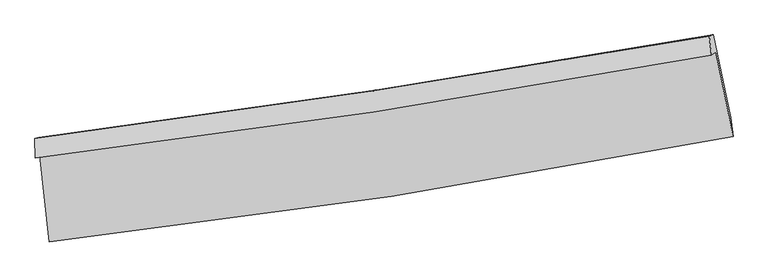
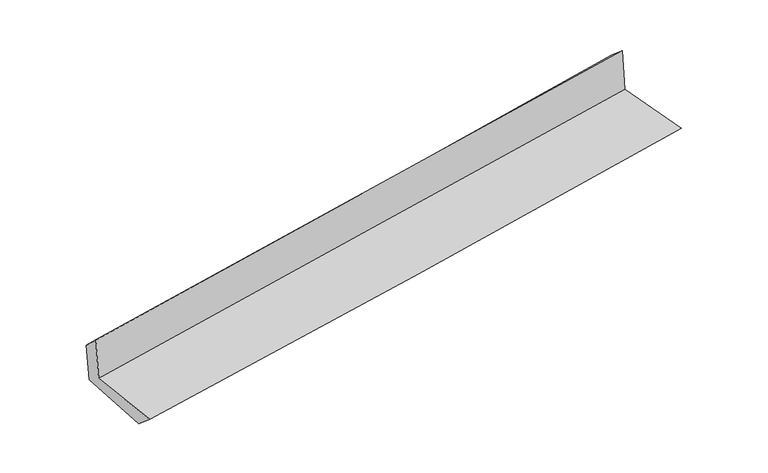
"""IFC4 building model written with IfcOpenShell, lengths in millimetres: proxy geometry."""

from ifc_helpers import new_model, si_unit, frame, origin, place, context, project, spatial, source, transform, mapped, element, save
from ifc_brep_helpers import plane_surface, spline_curve, spline_surface, advanced_brep


def generic_models_1a5cadaa(model_context):
    return source(origin(), model_context, "Body", "AdvancedBrep", [
        advanced_brep(
        [(-2646.565606, -1882.8505018, 1660.0580329), (-2571.7423465, -2556.4602012, 1651.436521), (2731.5031113, -1737.1866434, 2094.4356283), (2598.2973282, -1083.4024399, 2115.6206677), (-2681.1912798, -1902.6969866, 2054.8167153), (2563.6531113, -1103.2595531, 2510.5907558), (-2684.3992517, -1754.5521244, 1914.6283009), (2546.312209, -957.1352259, 2388.2129357), (-2653.0460373, -1745.0435455, 1567.151183), (2579.0483166, -947.3124192, 2033.3334194), (-2576.2269944, -2396.5501795, 1511.0750528), (2712.8772455, -1589.8521122, 1982.7147738)],
        [
            (0, 1),
            (1, 2, spline_curve(3, [(-2571.7423465, -2556.4602012, 1651.436521), (-1686.117327296, -2456.39534878, 1748.261678272), (-802.292360108, -2338.271577799, 1833.537606657), (965.471316101, -2065.332789637, 1981.301438406), (1849.394835172, -1910.365374531, 2043.69187949), (2731.5031113, -1737.1866434, 2094.4356283)], [4, 2, 4], [0.0, 8.768377609389054, 17.57367528083199])),
            (2, 3),
            (3, 0, spline_curve(3, [(2598.2973282, -1083.4024399, 2115.6206677), (1724.138127588, -1246.585822704, 2069.209886416), (849.066470524, -1394.906989247, 2007.93001358), (-899.228809959, -1661.265305326, 1855.951373061), (-1772.444797595, -1779.426825885, 1765.377034262), (-2646.565606, -1882.8505018, 1660.0580329)], [4, 2, 4], [0.0, 8.805297671442935, 17.57367528083199])),
            (4, 0),
            (3, 5),
            (5, 4, spline_curve(3, [(2563.6531113, -1103.2595531, 2510.5907558), (1689.411971301, -1266.489901449, 2465.114145631), (814.300982155, -1414.833611999, 2404.28268576), (-933.987760526, -1681.188180647, 2252.229511866), (-1807.158235403, -1799.323614562, 2161.136291277), (-2681.1912798, -1902.6969866, 2054.8167153)], [4, 2, 4], [0.0, 8.756463869524865, 17.476212434071012])),
            (6, 4),
            (5, 7),
            (7, 6, spline_curve(3, [(2546.312209, -957.1352259, 2388.2129357), (1674.7978875, -1109.215021547, 2318.521564514), (802.230141445, -1251.826082566, 2244.117701363), (-941.349160752, -1517.552477992, 2086.216720962), (-1812.351901778, -1640.747050007, 2002.759039121), (-2684.3992517, -1754.5521244, 1914.6283009)], [4, 2, 4], [0.0, 8.744733220606186, 17.452800322110406])),
            (8, 6),
            (7, 9),
            (9, 8, spline_curve(3, [(2579.0483166, -947.3124192, 2033.3334194), (1707.973445901, -1099.247702868, 1957.512163842), (835.509238032, -1241.812955765, 1880.669258765), (-908.533839806, -1507.644919806, 1725.266630639), (-1780.101083095, -1630.990042719, 1646.715457016), (-2653.0460373, -1745.0435455, 1567.151183)], [4, 2, 4], [0.0, 8.73386515775385, 17.431109765513092])),
            (10, 8),
            (9, 11),
            (11, 10, spline_curve(3, [(2712.8772455, -1589.8521122, 1982.7147738), (1832.901749526, -1747.082437485, 1905.688870116), (951.225771873, -1893.040037095, 1827.788203104), (-811.823204865, -2161.845059458, 1670.567642347), (-1693.181973809, -2284.786815616, 1591.255069211), (-2576.2269944, -2396.5501795, 1511.0750528)], [4, 2, 4], [0.0, 8.78219105771883, 17.52755893796899])),
            (1, 10),
            (11, 2),
        ],
        [
            spline_surface(3, 3, [[(-2646.565606, -1882.8505018, 1660.0580329), (-1772.44479762, -1779.426825892, 1765.377034232), (-899.228809931, -1661.265305237, 1855.95137305), (849.066470495, -1394.906989336, 2007.930013591), (1724.138127562, -1246.585822684, 2069.209886352), (2598.2973282, -1083.4024399, 2115.6206677)], [(-2621.624519497, -2107.387068248, 1657.184195589), (-1743.668974147, -2005.083000151, 1759.671915547), (-866.916660025, -1886.934062766, 1848.480117535), (887.868085735, -1618.382256078, 1999.053821908), (1765.890363443, -1467.845673285, 2060.703883995), (2642.699255923, -1301.330507735, 2108.558987875)], [(-2596.683433003, -2331.923634752, 1654.310358311), (-1714.893150682, -2230.739174464, 1753.966796896), (-834.604510123, -2112.60282032, 1841.008862027), (926.669700971, -1841.857522845, 1990.177630234), (1807.642599253, -1689.10552388, 2052.197881713), (2687.101183577, -1519.258575565, 2101.497308125)], [(-2571.7423465, -2556.4602012, 1651.436521), (-1686.117327209, -2456.395348723, 1748.261678211), (-802.292360217, -2338.271577849, 1833.537606512), (965.471316211, -2065.332789587, 1981.301438551), (1849.394835134, -1910.365374481, 2043.691879357), (2731.5031113, -1737.1866434, 2094.4356283)]], [4, 4], [4, 2, 4], [0.0, 2.2393112659382637], [0.0, 8.768377609389054, 17.57367528083199]),
            spline_surface(3, 3, [[(-2681.1912798, -1902.6969866, 2054.8167153), (-1807.158235354, -1799.323614567, 2161.136291388), (-933.987760599, -1681.188180687, 2252.229511773), (814.300982228, -1414.833611958, 2404.282685854), (1689.411971222, -1266.48990132, 2465.1141456), (2563.6531113, -1103.2595531, 2510.5907558)], [(-2669.649388542, -1896.081491664, 1923.230487841), (-1795.587089452, -1792.691351673, 2029.21653901), (-922.401443718, -1674.547222205, 2120.136798856), (825.889478308, -1408.191404419, 2272.165128423), (1700.987356673, -1259.855208433, 2333.146059184), (2575.201183604, -1096.640515358, 2378.934059767)], [(-2658.107497258, -1889.465996736, 1791.644260359), (-1784.015943522, -1786.059088786, 1897.29678661), (-910.815126811, -1667.906263719, 1988.044085967), (837.477974415, -1401.549196875, 2140.047571021), (1712.562742111, -1253.220515572, 2201.177972768), (2586.749255896, -1090.021477642, 2247.277363733)], [(-2646.565606, -1882.8505018, 1660.0580329), (-1772.44479762, -1779.426825892, 1765.377034232), (-899.228809931, -1661.265305237, 1855.95137305), (849.066470495, -1394.906989336, 2007.930013591), (1724.138127562, -1246.585822684, 2069.209886352), (2598.2973282, -1083.4024399, 2115.6206677)]], [4, 4], [4, 2, 4], [0.0, 1.3068760619648598], [0.0, 8.719748564546148, 17.476212434071012]),
            spline_surface(3, 3, [[(-2684.3992517, -1754.5521244, 1914.6283009), (-1812.351901633, -1640.747049921, 2002.759039128), (-941.349160777, -1517.552478125, 2086.216720936), (802.23014147, -1251.826082433, 2244.11770139), (1674.797887553, -1109.215021423, 2318.521564512), (2546.312209, -957.1352259, 2388.2129357)], [(-2683.329927728, -1803.933745126, 1961.357772343), (-1810.620679535, -1693.605904795, 2055.551456524), (-938.895360729, -1572.097712297, 2141.554317903), (806.253755045, -1306.161925592, 2297.506029566), (1679.669248776, -1161.639981404, 2367.385758201), (2552.092509767, -1005.843334982, 2429.005542393)], [(-2682.260603772, -1853.315365874, 2008.087243857), (-1808.889457453, -1746.464759693, 2108.343873992), (-936.441560647, -1626.642946515, 2196.891914805), (810.277368653, -1360.497768799, 2350.894357678), (1684.540609998, -1214.064941339, 2416.249951911), (2557.872810533, -1054.551444018, 2469.798149107)], [(-2681.1912798, -1902.6969866, 2054.8167153), (-1807.158235354, -1799.323614567, 2161.136291388), (-933.987760599, -1681.188180687, 2252.229511773), (814.300982228, -1414.833611958, 2404.282685854), (1689.411971222, -1266.48990132, 2465.1141456), (2563.6531113, -1103.2595531, 2510.5907558)]], [4, 4], [4, 2, 4], [0.0, 0.7578812851882769], [0.0, 8.70806710150422, 17.452800322110406]),
            spline_surface(3, 3, [[(-2653.0460373, -1745.0435455, 1567.151183), (-1780.101082987, -1630.990042618, 1646.715456896), (-908.533839732, -1507.644919905, 1725.266630566), (835.509237958, -1241.812955666, 1880.669258839), (1707.973445991, -1099.247702907, 1957.512163952), (2579.0483166, -947.3124192, 2033.3334194)], [(-2663.497108762, -1748.213071825, 1682.976888992), (-1790.851355864, -1634.24237841, 1765.396650999), (-919.472280076, -1510.947439328, 1845.583327345), (824.416205799, -1245.150664605, 2001.818739679), (1696.914926491, -1102.570142405, 2077.848630824), (2568.136280713, -950.586688092, 2151.626591519)], [(-2673.948180238, -1751.382598075, 1798.802594908), (-1801.601628756, -1637.494714128, 1884.077845025), (-930.410720433, -1514.249958702, 1965.900024156), (813.323173628, -1248.488373494, 2122.96822055), (1685.856407053, -1105.892581925, 2198.18509764), (2557.224244887, -953.860957008, 2269.919763581)], [(-2684.3992517, -1754.5521244, 1914.6283009), (-1812.351901633, -1640.747049921, 2002.759039128), (-941.349160777, -1517.552478125, 2086.216720936), (802.23014147, -1251.826082433, 2244.11770139), (1674.797887553, -1109.215021423, 2318.521564512), (2546.312209, -957.1352259, 2388.2129357)]], [4, 4], [4, 2, 4], [0.0, 1.1937184830557814], [0.0, 8.697244607759242, 17.431109765513092]),
            spline_surface(3, 3, [[(-2576.2269944, -2396.5501795, 1511.0750528), (-1693.18197384, -2284.786815603, 1591.255069202), (-811.823204864, -2161.84505942, 1670.567642417), (951.225771873, -1893.040037133, 1827.788203033), (1832.901749586, -1747.08243756, 1905.688870142), (2712.8772455, -1589.8521122, 1982.7147738)], [(-2601.833342045, -2179.381301489, 1529.767096192), (-1722.155010234, -2066.85455793, 1609.741865092), (-844.060083138, -1943.778346252, 1688.800638465), (912.653593917, -1675.964343315, 1845.415221633), (1791.258981744, -1531.137526022, 1922.963301408), (2668.267602556, -1375.672214546, 1999.587655663)], [(-2627.439689655, -1962.212423511, 1548.459139608), (-1751.128046593, -1848.922300291, 1628.228661006), (-876.296961459, -1725.711633073, 1707.033634518), (874.081415913, -1458.888649485, 1863.042240239), (1749.616213834, -1315.192614445, 1940.237732686), (2623.657959544, -1161.492316854, 2016.460537537)], [(-2653.0460373, -1745.0435455, 1567.151183), (-1780.101082987, -1630.990042618, 1646.715456896), (-908.533839732, -1507.644919905, 1725.266630566), (835.509237958, -1241.812955666, 1880.669258839), (1707.973445991, -1099.247702907, 1957.512163952), (2579.0483166, -947.3124192, 2033.3334194)]], [4, 4], [4, 2, 4], [0.0, 2.176781355631615], [0.0, 8.74536788025016, 17.52755893796899]),
            spline_surface(3, 3, [[(-2571.7423465, -2556.4602012, 1651.436521), (-1686.117327209, -2456.395348723, 1748.261678211), (-802.292360217, -2338.271577849, 1833.537606512), (965.471316211, -2065.332789587, 1981.301438551), (1849.394835134, -1910.365374481, 2043.691879357), (2731.5031113, -1737.1866434, 2094.4356283)], [(-2573.237229126, -2503.156860648, 1604.649364943), (-1688.472209412, -2399.192504364, 1695.926141884), (-805.469308435, -2279.462738375, 1779.214285149), (960.72280143, -2007.901872105, 1930.130360047), (1843.897139921, -1855.937728827, 1997.690876302), (2725.294489336, -1688.075132986, 2057.195343484)], [(-2574.732111774, -2449.853520052, 1557.862208857), (-1690.827091637, -2341.989659962, 1643.590605529), (-808.646256647, -2220.653898894, 1724.89096378), (955.974286654, -1950.470954616, 1878.959281537), (1838.399444799, -1801.510083215, 1951.689873196), (2719.085867464, -1638.963622614, 2019.955058616)], [(-2576.2269944, -2396.5501795, 1511.0750528), (-1693.18197384, -2284.786815603, 1591.255069202), (-811.823204864, -2161.84505942, 1670.567642417), (951.225771873, -1893.040037133, 1827.788203033), (1832.901749586, -1747.08243756, 1905.688870142), (2712.8772455, -1589.8521122, 1982.7147738)]], [4, 4], [4, 2, 4], [0.0, 0.7734287525501656], [0.0, 8.80480676669897, 17.646686983776135]),
            plane_surface(frame((2621.9485536, -1236.3580656, 2187.4846968), z_axis=(0.9759951656108222, 0.19576198045964407, 0.09544990157575686), x_axis=(-0.09182084001311323, -0.027551789896817735, 0.9953943099158081))),
            plane_surface(frame((-2635.5285859, -2039.6922565, 1726.5276343), z_axis=(-0.989775006858037, -0.10876114070013032, -0.09228461449656424), x_axis=(-0.11039014770871484, 0.9938069351386655, 0.012719707510020254))),
        ],
        [
            (0, [[1, 2, 3, 4]]),
            (1, [[5, -4, 6, 7]]),
            (2, [[8, -7, 9, 10]]),
            (3, [[11, -10, 12, 13]]),
            (4, [[14, -13, 15, 16]]),
            (5, [[17, -16, 18, -2]]),
            (6, [[-12, -9, -6, -3, -18, -15]]),
            (7, [[-1, -5, -8, -11, -14, -17]]),
        ],
    ),
    ])


if __name__ == "__main__":
    model = new_model("IFC4")
    model_context = context("Model", 3, world=origin())
    ifc_project = project(units=[si_unit("LENGTHUNIT", "METRE", prefix="MILLI")], contexts=[model_context])
    site = spatial("IfcSite", under=ifc_project)
    building = spatial("IfcBuilding", under=site)
    placement = place(None, origin())
    generic_models_shape = generic_models_1a5cadaa(model_context)
    element("IfcBuildingElementProxy", 1, Name="Generic Models", at=placement, inside=building, context=model_context, shape_type="MappedRepresentation", body=[
        mapped(generic_models_shape, transform((0.0, 0.0, 0.0), x_axis=(1.0, 0.0, 0.0), y_axis=(0.0, 1.0, 0.0), z_axis=(0.0, 0.0, 1.0))),
    ])
    save(model, "model.ifc")
